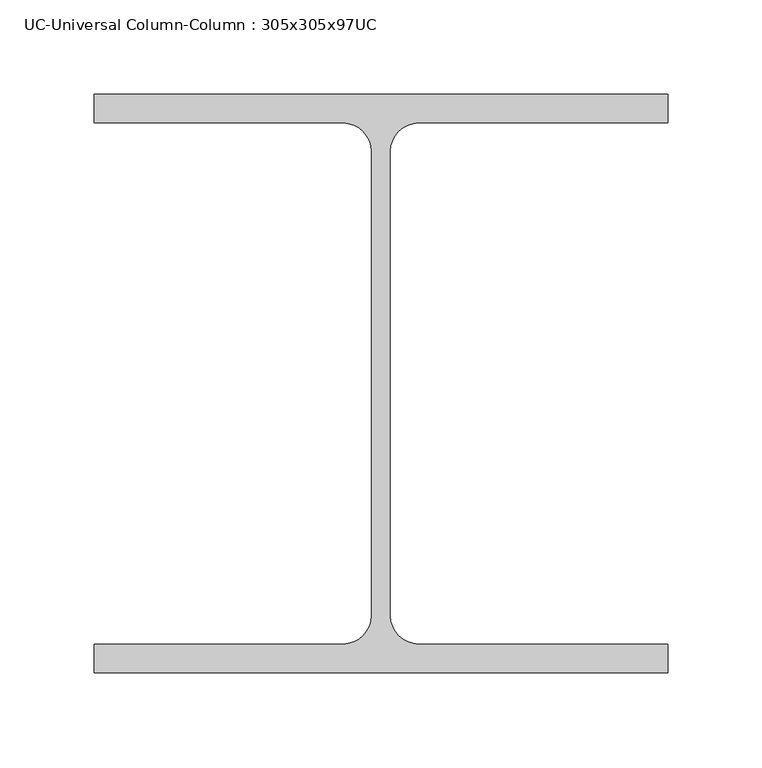
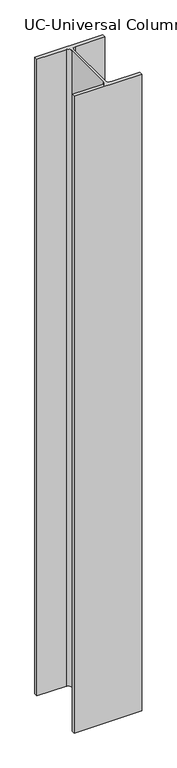
"""IFC4 building model written with IfcOpenShell, lengths in millimetres: column geometry, UC-Universal Column-Column : 305x305x97UC."""

from ifc_helpers import new_model, si_unit, point, frame, frame_2d, origin, place, context, project, spatial, polyline, circle_curve, trimmed, segment, composite_curve, outline, extrude, source, transform, mapped, element, save


def uc_universal_column_column_305x305x97uc_c6c7571e(model_context):
    return source(origin(), model_context, "Body", "SweptSolid", [
        extrude(outline(composite_curve([segment(polyline([(152.65, 153.95), (152.65, 138.55), (20.15, 138.55)]), True, "CONTINUOUS"), segment(trimmed(circle_curve(frame_2d((20.15, 123.35)), 15.2), [point((20.15, 138.55))], [point((4.95, 123.35))], True, "CARTESIAN"), True, "CONTINUOUS"), segment(polyline([(4.95, 123.35), (4.95, -123.35)]), True, "CONTINUOUS"), segment(trimmed(circle_curve(frame_2d((20.15, -123.35)), 15.2), [point((4.95, -123.35))], [point((20.15, -138.55))], True, "CARTESIAN"), True, "CONTINUOUS"), segment(polyline([(20.15, -138.55), (152.65, -138.55), (152.65, -153.95), (-152.65, -153.95), (-152.65, -138.55), (-20.15, -138.55)]), True, "CONTINUOUS"), segment(trimmed(circle_curve(frame_2d((-20.15, -123.35)), 15.2), [point((-20.15, -138.55))], [point((-4.95, -123.35))], True, "CARTESIAN"), True, "CONTINUOUS"), segment(polyline([(-4.95, -123.35), (-4.95, 123.35)]), True, "CONTINUOUS"), segment(trimmed(circle_curve(frame_2d((-20.15, 123.35)), 15.2), [point((-4.95, 123.35))], [point((-20.15, 138.55))], True, "CARTESIAN"), True, "CONTINUOUS"), segment(polyline([(-20.15, 138.55), (-152.65, 138.55), (-152.65, 153.95), (152.65, 153.95)]), True, "CONTINUOUS")], self_intersect=False)), frame((0.0, 0.0, 12962.0), z_axis=(0.0, 0.0, 1.0), x_axis=(1.0, 0.0, 0.0)), (0.0, 0.0, 1.0), 3038.0),
    ])


if __name__ == "__main__":
    model = new_model("IFC4")
    model_context = context("Model", 3, world=origin())
    ifc_project = project(units=[si_unit("LENGTHUNIT", "METRE", prefix="MILLI")], contexts=[model_context])
    site = spatial("IfcSite", under=ifc_project)
    building = spatial("IfcBuilding", under=site)
    placement = place(None, origin())
    uc_universal_column_column_305x305x97uc_shape = uc_universal_column_column_305x305x97uc_c6c7571e(model_context)
    element("IfcColumn", 1, ObjectType="UC-Universal Column-Column : 305x305x97UC", at=placement, inside=building, context=model_context, shape_type="MappedRepresentation", body=[
        mapped(uc_universal_column_column_305x305x97uc_shape, transform((0.0, 0.0, 0.0), x_axis=(1.0, 0.0, 0.0), y_axis=(0.0, 1.0, 0.0), z_axis=(0.0, 0.0, 1.0))),
    ])
    save(model, "model.ifc")
